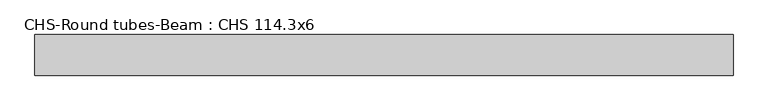
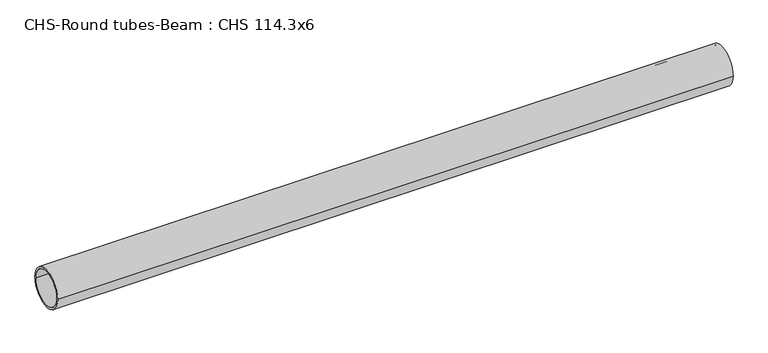
"""IFC4 building model written with IfcOpenShell, lengths in millimetres: beam geometry, CHS-Round tubes-Beam : CHS 114.3x6."""

from ifc_helpers import new_model, si_unit, point, frame, origin, origin_2d, place, context, project, spatial, circle_curve, trimmed, segment, composite_curve, outline, extrude, source, transform, mapped, element, save


def chs_round_tubes_beam_chs_114_3x6_1e194a9e(model_context):
    return source(origin(), model_context, "Body", "SweptSolid", [
        extrude(outline(composite_curve([segment(trimmed(circle_curve(origin_2d(), 57.15), [point((57.15, 0.0))], [point((-57.15, 0.0))], False, "CARTESIAN"), True, "CONTINUOUS"), segment(trimmed(circle_curve(origin_2d(), 57.15), [point((-57.15, 0.0))], [point((57.15, 0.0))], False, "CARTESIAN"), True, "CONTINUOUS")], self_intersect=False), holes=[composite_curve([segment(trimmed(circle_curve(origin_2d(), 51.15), [point((51.15, 0.0))], [point((-51.15, 0.0))], True, "CARTESIAN"), True, "CONTINUOUS"), segment(trimmed(circle_curve(origin_2d(), 51.15), [point((-51.15, 0.0))], [point((51.15, 0.0))], True, "CARTESIAN"), True, "CONTINUOUS")], self_intersect=False)]), frame((-935.5741881, 0.0, 0.0), z_axis=(1.0, 0.0, 0.0), x_axis=(0.0, 1.0, 0.0)), (0.0, 0.0, 1.0), 1965.360099),
    ])


if __name__ == "__main__":
    model = new_model("IFC4")
    model_context = context("Model", 3, world=origin())
    ifc_project = project(units=[si_unit("LENGTHUNIT", "METRE", prefix="MILLI")], contexts=[model_context])
    site = spatial("IfcSite", under=ifc_project)
    building = spatial("IfcBuilding", under=site)
    placement = place(None, origin())
    chs_round_tubes_beam_chs_114_3x6_shape = chs_round_tubes_beam_chs_114_3x6_1e194a9e(model_context)
    element("IfcBeam", 1, ObjectType="CHS-Round tubes-Beam : CHS 114.3x6", at=placement, inside=building, context=model_context, shape_type="MappedRepresentation", body=[
        mapped(chs_round_tubes_beam_chs_114_3x6_shape, transform((0.0, 0.0, 0.0), x_axis=(1.0, 0.0, 0.0), y_axis=(0.0, 1.0, 0.0), z_axis=(0.0, 0.0, 1.0))),
    ])
    save(model, "model.ifc")
